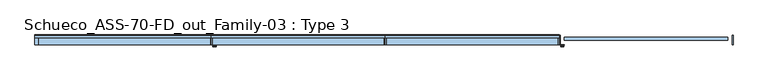
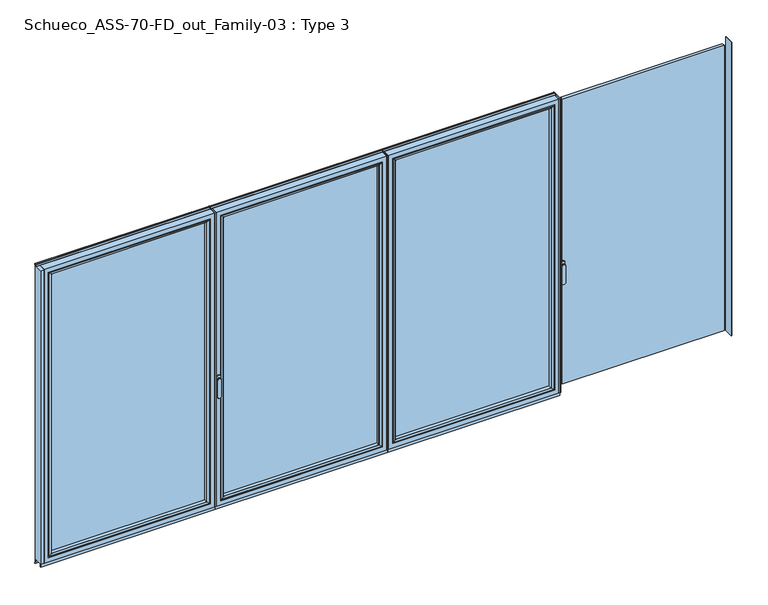
"""IFC4 building model written with IfcOpenShell, lengths in millimetres: window geometry, Schueco_ASS-70-FD_out_Family-03 : Type 3."""

from ifc_helpers import new_model, si_unit, point, frame, frame_2d, origin, place, context, project, spatial, polyline, circle_curve, ellipse_curve, trimmed, segment, composite_curve, outline, extrude, source, transform, mapped, element, save
from ifc_brep_helpers import plane_surface, cylinder_surface, extruded_surface, advanced_brep


def schueco_ass_70_fd_out_family_03_type_3_02548627(model_context):
    return source(origin(), model_context, "Body", "SolidModel", [
        extrude(outline(polyline([(1264.725, 0.0), (1264.725, -70.0), (1258.725, -70.0), (1258.725, 0.0), (1264.725, 0.0)])), frame((0.0, 0.0, 75.0), z_axis=(0.0, 0.0, 1.0), x_axis=(1.0, 0.0, 0.0)), (0.0, 0.0, 1.0), 2262.0),
        extrude(outline(polyline([(10.65, 0.0), (16.65, 0.0), (16.65, -70.0), (10.65, -70.0), (10.65, 0.0)])), frame((0.0, 0.0, 75.0), z_axis=(0.0, 0.0, 1.0), x_axis=(1.0, 0.0, 0.0)), (0.0, 0.0, 1.0), 2262.0),
        extrude(outline(polyline([(1226.725, -13.999939), (1226.725, -37.9928974), (48.65, -37.9928974), (48.65, -13.999939), (1226.725, -13.999939)])), frame((0.0, 0.0, 107.0), z_axis=(0.0, 0.0, 1.0), x_axis=(1.0, 0.0, 0.0)), (0.0, 0.0, 1.0), 2198.0),
        advanced_brep(
        [(70.6495728, -64.5552044, 2283.0004272), (70.6495728, -64.5552044, 128.9995728), (70.6495728, -37.9928974, 128.9995728), (70.6495728, -37.9928974, 2283.0004272), (48.65, -37.9928974, 2305.0), (1226.725, -37.9928974, 2305.0), (1226.725, -37.9928974, 107.0), (48.65, -37.9928974, 107.0), (1204.7254272, -37.9928974, 2283.0004272), (1204.7254272, -37.9928974, 128.9995728), (1204.7254272, -64.5552044, 128.9995728), (69.9400293, -65.8045072, 2283.7099707), (69.9400293, -65.8045072, 128.2900293), (1205.4349707, -65.8045072, 128.2900293), (54.649939, -70.0, 2299.000061), (54.649939, -70.0, 112.999939), (1220.725061, -70.0, 112.999939), (1226.725, -70.0, 2305.0), (48.65, -70.0, 2305.0), (48.65, -70.0, 107.0), (1226.725, -70.0, 107.0), (1220.725061, -70.0, 2299.000061), (1204.7254272, -64.5552044, 2283.0004272), (1205.4349707, -65.8045072, 2283.7099707)],
        [
            (0, 1),
            (1, 2),
            (2, 3),
            (3, 0),
            (4, 5),
            (5, 6),
            (6, 7),
            (7, 4),
            (8, 3),
            (2, 9),
            (9, 8),
            (1, 10),
            (10, 9),
            (11, 12),
            (12, 1, ellipse_curve(frame((69.1949688, -64.5552044, 127.5449688), z_axis=(-0.7071067811865475, 0.0, 0.7071067811865475), x_axis=(0.7071067811865474, 0.0, 0.7071067811865476)), 2.0571207, 1.454604)),
            (0, 11, ellipse_curve(frame((69.1949688, -64.5552044, 2284.4550312), z_axis=(-0.7071067811865475, 0.0, -0.7071067811865475), x_axis=(-0.7071067811865474, 0.0, 0.7071067811865476)), 2.0571207, 1.454604)),
            (12, 13),
            (13, 10, ellipse_curve(frame((1206.1800312, -64.5552044, 127.5449688), z_axis=(-0.7071067811865475, 0.0, -0.7071067811865475), x_axis=(-0.7071067811865476, 0.0, 0.7071067811865474)), 2.0571207, 1.454604)),
            (14, 15),
            (15, 12, ellipse_curve(frame((54.7138746, -40.2735922, 113.0638746), z_axis=(-0.7071067811865475, 0.0, 0.7071067811865475), x_axis=(0.7071067811865474, 0.0, 0.7071067811865476)), 42.0395863, 29.7264765)),
            (11, 14, ellipse_curve(frame((54.7138746, -40.2735922, 2298.9361254), z_axis=(-0.7071067811865475, 0.0, -0.7071067811865475), x_axis=(-0.7071067811865474, 0.0, 0.7071067811865476)), 42.0395863, 29.7264765)),
            (15, 16),
            (16, 13, ellipse_curve(frame((1220.6611254, -40.2735922, 113.0638746), z_axis=(-0.7071067811865475, 0.0, -0.7071067811865475), x_axis=(-0.7071067811865476, 0.0, 0.7071067811865474)), 42.0395863, 29.7264765)),
            (17, 18),
            (18, 19),
            (19, 20),
            (20, 17),
            (14, 21),
            (21, 16),
            (7, 19),
            (18, 4),
            (6, 20),
            (10, 22),
            (22, 8),
            (13, 23),
            (23, 22, ellipse_curve(frame((1206.1800312, -64.5552044, 2284.4550312), z_axis=(0.7071067811865475, 0.0, -0.7071067811865475), x_axis=(-0.7071067811865474, 0.0, -0.7071067811865476)), 2.0571207, 1.454604)),
            (21, 23, ellipse_curve(frame((1220.6611254, -40.2735922, 2298.9361254), z_axis=(0.7071067811865475, 0.0, -0.7071067811865475), x_axis=(-0.7071067811865474, 0.0, -0.7071067811865476)), 42.0395863, 29.7264765)),
            (5, 17),
            (22, 0),
            (23, 11),
        ],
        [
            plane_surface(frame((70.6495728, -37.9928974, 2283.0004272), z_axis=(1.0, 0.0, 0.0), x_axis=(0.0, 0.0, -1.0))),
            plane_surface(frame((1226.725, -37.9928974, 107.0), z_axis=(0.0, 1.0, 0.0), x_axis=(0.0, 0.0, 1.0))),
            plane_surface(frame((70.6495728, -37.9928974, 128.9995728), z_axis=(0.0, 0.0, 1.0), x_axis=(1.0, 0.0, 0.0))),
            cylinder_surface(frame((69.1949688, -64.5552044, 2283.0004272), z_axis=(0.0, 0.0, 1.0), x_axis=(-1.0, 0.0, 0.0)), 1.454604),
            cylinder_surface(frame((70.6495728, -64.5552044, 127.5449688), z_axis=(-1.0, 0.0, 0.0), x_axis=(0.0, 0.0, -1.0)), 1.454604),
            cylinder_surface(frame((54.7138746, -40.2735922, 2283.0004272), z_axis=(0.0, 0.0, 1.0), x_axis=(-1.0, 0.0, 0.0)), 29.7264765),
            cylinder_surface(frame((70.6495728, -40.2735922, 113.0638746), z_axis=(-1.0, 0.0, 0.0), x_axis=(0.0, 0.0, -1.0)), 29.7264765),
            plane_surface(frame((1220.725061, -70.0, 112.999939), z_axis=(0.0, -1.0, 0.0), x_axis=(0.0, 0.0, 1.0))),
            plane_surface(frame((48.65, -70.0, 2305.0), z_axis=(-1.0, 0.0, 0.0), x_axis=(0.0, 0.0, -1.0))),
            plane_surface(frame((48.65, -70.0, 107.0), z_axis=(0.0, 0.0, -1.0), x_axis=(1.0, 0.0, 0.0))),
            plane_surface(frame((1204.7254272, -37.9928974, 128.9995728), z_axis=(-1.0, 0.0, 0.0), x_axis=(0.0, 0.0, 1.0))),
            cylinder_surface(frame((1206.1800312, -64.5552044, 128.9995728), z_axis=(0.0, 0.0, -1.0), x_axis=(1.0, 0.0, 0.0)), 1.454604),
            cylinder_surface(frame((1220.6611254, -40.2735922, 128.9995728), z_axis=(0.0, 0.0, -1.0), x_axis=(1.0, 0.0, 0.0)), 29.7264765),
            plane_surface(frame((1226.725, -70.0, 107.0), z_axis=(1.0, 0.0, 0.0), x_axis=(0.0, 0.0, 1.0))),
            plane_surface(frame((1204.7254272, -37.9928974, 2283.0004272), z_axis=(0.0, 0.0, -1.0), x_axis=(-1.0, 0.0, 0.0))),
            cylinder_surface(frame((1204.7254272, -64.5552044, 2284.4550312), z_axis=(1.0, 0.0, 0.0), x_axis=(0.0, 0.0, 1.0)), 1.454604),
            cylinder_surface(frame((1204.7254272, -40.2735922, 2298.9361254), z_axis=(1.0, 0.0, 0.0), x_axis=(0.0, 0.0, 1.0)), 29.7264765),
            plane_surface(frame((1226.725, -70.0, 2305.0), z_axis=(0.0, 0.0, 1.0), x_axis=(-1.0, 0.0, 0.0))),
        ],
        [
            (0, [[1, 2, 3, 4]]),
            (1, [[5, 6, 7, 8], [9, -3, 10, 11]]),
            (2, [[12, 13, -10, -2]]),
            (3, [[14, 15, -1, 16]]),
            (4, [[17, 18, -12, -15]]),
            (5, [[19, 20, -14, 21]]),
            (6, [[22, 23, -17, -20]]),
            (7, [[24, 25, 26, 27], [28, 29, -22, -19]]),
            (8, [[-8, 30, -25, 31]]),
            (9, [[-7, 32, -26, -30]]),
            (10, [[33, 34, -11, -13]]),
            (11, [[35, 36, -33, -18]]),
            (12, [[-29, 37, -35, -23]]),
            (13, [[-6, 38, -27, -32]]),
            (14, [[39, -4, -9, -34]]),
            (15, [[40, -16, -39, -36]]),
            (16, [[-28, -21, -40, -37]]),
            (17, [[-5, -31, -24, -38]]),
        ],
    ),
        advanced_brep(
        [(1258.725, -70.0, 2337.0), (1258.725, -70.0, 75.0), (1258.725, 0.0, 75.0), (1258.725, 0.0, 2337.0), (16.65, -70.0, 75.0), (16.65, 0.0, 75.0), (16.65, 0.0, 2337.0), (66.1491901, 0.0, 124.4991901), (1209.2258099, 0.0, 124.4991901), (1209.2258099, 0.0, 2287.5008099), (66.1491901, 0.0, 2287.5008099), (16.65, -70.0, 2337.0), (1226.725, -70.0, 107.0), (48.65, -70.0, 107.0), (48.65, -70.0, 2305.0), (1226.725, -70.0, 2305.0), (1226.725, -13.999939, 2305.0), (1226.725, -13.999939, 107.0), (48.65, -13.999939, 107.0), (48.65, -13.999939, 2305.0), (1204.7254272, -13.999939, 128.9995728), (70.6495728, -13.999939, 128.9995728), (70.6495728, -13.999939, 2283.0004272), (1204.7254272, -13.999939, 2283.0004272), (1204.7254272, -4.5004435, 2283.0004272), (1204.7254272, -4.5004435, 128.9995728), (70.6495728, -4.5004435, 128.9995728), (70.6495728, -4.5004435, 2283.0004272)],
        [
            (0, 1),
            (1, 2),
            (2, 3),
            (3, 0),
            (1, 4),
            (4, 5),
            (5, 2),
            (5, 6),
            (6, 3),
            (7, 8),
            (8, 9),
            (9, 10),
            (10, 7),
            (4, 11),
            (11, 6),
            (0, 11),
            (12, 13),
            (13, 14),
            (14, 15),
            (15, 12),
            (16, 17),
            (17, 12),
            (15, 16),
            (17, 18),
            (18, 13),
            (18, 19),
            (19, 14),
            (16, 19),
            (20, 21),
            (21, 22),
            (22, 23),
            (23, 20),
            (24, 25),
            (25, 20),
            (23, 24),
            (25, 26),
            (26, 21),
            (26, 27),
            (27, 22),
            (7, 26, ellipse_curve(frame((66.1491901, -4.5004435, 124.4991901), z_axis=(0.7071067811865475, 0.0, -0.7071067811865475), x_axis=(0.7071067811865476, 0.0, 0.7071067811865474)), 6.3645023, 4.5003827)),
            (25, 8, ellipse_curve(frame((1209.2258099, -4.5004435, 124.4991901), z_axis=(-0.7071067811865475, 0.0, -0.7071067811865475), x_axis=(0.7071067811865476, 0.0, -0.7071067811865474)), 6.3645023, 4.5003827)),
            (24, 9, ellipse_curve(frame((1209.2258099, -4.5004435, 2287.5008099), z_axis=(0.7071067811865475, 0.0, -0.7071067811865475), x_axis=(0.7071067811865474, 0.0, 0.7071067811865476)), 6.3645023, 4.5003827)),
            (10, 27, ellipse_curve(frame((66.1491901, -4.5004435, 2287.5008099), z_axis=(-0.7071067811865475, 0.0, -0.7071067811865475), x_axis=(0.7071067811865474, 0.0, -0.7071067811865476)), 6.3645023, 4.5003827)),
            (27, 24),
        ],
        [
            plane_surface(frame((1258.725, 0.0, 2337.0), z_axis=(1.0, 0.0, 0.0), x_axis=(0.0, 0.0, -1.0))),
            plane_surface(frame((1258.725, 0.0, 75.0), z_axis=(0.0, 0.0, -1.0), x_axis=(-1.0, 0.0, 0.0))),
            plane_surface(frame((1209.2258099, 0.0, 2287.5008099), z_axis=(0.0, 1.0, 0.0), x_axis=(0.0, 0.0, -1.0))),
            plane_surface(frame((16.65, 0.0, 75.0), z_axis=(-1.0, 0.0, 0.0), x_axis=(0.0, 0.0, 1.0))),
            plane_surface(frame((1258.725, -70.0, 2337.0), z_axis=(0.0, -1.0, 0.0), x_axis=(0.0, 0.0, -1.0))),
            plane_surface(frame((1226.725, -70.0, 2305.0), z_axis=(-1.0, 0.0, 0.0), x_axis=(0.0, 0.0, -1.0))),
            plane_surface(frame((1226.725, -70.0, 107.0), z_axis=(0.0, 0.0, 1.0), x_axis=(-1.0, 0.0, 0.0))),
            plane_surface(frame((48.65, -70.0, 107.0), z_axis=(1.0, 0.0, 0.0), x_axis=(0.0, 0.0, 1.0))),
            plane_surface(frame((1226.725, -13.999939, 2305.0), z_axis=(0.0, -1.0, 0.0), x_axis=(0.0, 0.0, -1.0))),
            plane_surface(frame((1204.7254272, -13.999939, 2283.0004272), z_axis=(-1.0, 0.0, 0.0), x_axis=(0.0, 0.0, -1.0))),
            plane_surface(frame((1204.7254272, -13.999939, 128.9995728), z_axis=(0.0, 0.0, 1.0), x_axis=(-1.0, 0.0, 0.0))),
            plane_surface(frame((70.6495728, -13.999939, 128.9995728), z_axis=(1.0, 0.0, 0.0), x_axis=(0.0, 0.0, 1.0))),
            cylinder_surface(frame((1264.725, -4.5004435, 124.4991901), z_axis=(1.0, 0.0, 0.0), x_axis=(0.0, -1.0, 0.0)), 4.5003827),
            cylinder_surface(frame((1209.2258099, -4.5004435, 2343.0), z_axis=(0.0, 0.0, 1.0), x_axis=(0.0, -1.0, 0.0)), 4.5003827),
            cylinder_surface(frame((66.1491901, -4.5004435, 69.0), z_axis=(0.0, 0.0, -1.0), x_axis=(0.0, -1.0, 0.0)), 4.5003827),
            plane_surface(frame((16.65, 0.0, 2337.0), z_axis=(0.0, 0.0, 1.0), x_axis=(1.0, 0.0, 0.0))),
            plane_surface(frame((48.65, -70.0, 2305.0), z_axis=(0.0, 0.0, -1.0), x_axis=(1.0, 0.0, 0.0))),
            plane_surface(frame((70.6495728, -13.999939, 2283.0004272), z_axis=(0.0, 0.0, -1.0), x_axis=(1.0, 0.0, 0.0))),
            cylinder_surface(frame((10.65, -4.5004435, 2287.5008099), z_axis=(-1.0, 0.0, 0.0), x_axis=(0.0, -1.0, 0.0)), 4.5003827),
        ],
        [
            (0, [[1, 2, 3, 4]]),
            (1, [[5, 6, 7, -2]]),
            (2, [[-7, 8, 9, -3], [10, 11, 12, 13]]),
            (3, [[14, 15, -8, -6]]),
            (4, [[-5, -1, 16, -14], [17, 18, 19, 20]]),
            (5, [[21, 22, -20, 23]]),
            (6, [[24, 25, -17, -22]]),
            (7, [[26, 27, -18, -25]]),
            (8, [[-24, -21, 28, -26], [29, 30, 31, 32]]),
            (9, [[33, 34, -32, 35]]),
            (10, [[36, 37, -29, -34]]),
            (11, [[38, 39, -30, -37]]),
            (12, [[-10, 40, -36, 41]]),
            (13, [[-11, -41, -33, 42]]),
            (14, [[-13, 43, -38, -40]]),
            (15, [[-16, -4, -9, -15]]),
            (16, [[-28, -23, -19, -27]]),
            (17, [[44, -35, -31, -39]]),
            (18, [[-12, -42, -44, -43]]),
        ],
    ),
        extrude(outline(polyline([(1264.725, -70.0), (10.65, -70.0), (10.65, -62.3999924), (1264.725, -62.3999924), (1264.725, -70.0)])), frame((0.0, 0.0, 52.9995117), z_axis=(0.0, 0.0, 1.0), x_axis=(1.0, 0.0, 0.0)), (0.0, 0.0, 1.0), 22.0004883),
        extrude(outline(composite_curve([segment(polyline([(0.0, 45.0), (-7.7242502, 45.0), (-7.7242502, 75.0), (0.0, 75.0), (0.0, 52.4754501), (1.8566157, 46.0621453)]), True, "CONTINUOUS"), segment(trimmed(circle_curve(frame_2d((-0.0645022, 45.5059925)), 2.0), [point((1.8566157, 46.0621453))], [point((1.8670103, 44.9870904))], False, "CARTESIAN"), True, "CONTINUOUS"), segment(polyline([(1.8670103, 44.9870904), (0.8737, 41.2896854), (0.0, 41.2896854), (0.0, 45.0)]), True, "CONTINUOUS")], self_intersect=False)), frame((10.65, 0.0, 0.0), z_axis=(1.0, 0.0, 0.0), x_axis=(0.0, 1.0, 0.0)), (0.0, 0.0, 1.0), 1254.075),
        extrude(outline(composite_curve([segment(polyline([(-17.955674, 2339.1400778), (-1.3636404, 2339.1400778), (0.0, 2342.963961), (0.0, 2348.6420698), (0.8937897, 2348.6420698), (1.8738669, 2344.9939222)]), True, "CONTINUOUS"), segment(trimmed(circle_curve(frame_2d((-0.0576456, 2344.4750201)), 2.0), [point((1.8738669, 2344.9939222))], [point((1.8735116, 2343.9547971))], False, "CARTESIAN"), True, "CONTINUOUS"), segment(polyline([(1.8735116, 2343.9547971), (0.0, 2337.0), (-17.955674, 2337.0), (-17.955674, 2339.1400778)]), True, "CONTINUOUS")], self_intersect=False)), frame((10.65, 0.0, 0.0), z_axis=(1.0, 0.0, 0.0), x_axis=(0.0, 1.0, 0.0)), (0.0, 0.0, 1.0), 1254.075),
        advanced_brep(
        [(-1209.4363692, -73.5, 1050.0), (-1233.4136308, -73.5, 1050.0), (-1209.4363692, -76.8965533, 1050.0), (-1233.4136308, -76.8965533, 1050.0), (-1209.4363692, -84.5, 1050.0), (-1233.4136308, -84.5, 1050.0), (-1233.4136308, -84.5, 918.6867153), (-1209.4363692, -84.5, 918.6867153), (-1209.4363692, -76.8965533, 918.6867153), (-1233.4136308, -76.8965533, 918.6867153)],
        [
            (0, 1, circle_curve(frame((-1221.425, -73.5, 1050.0), z_axis=(0.0, 1.0, 0.0), x_axis=(-1.0, 0.0, 0.0)), 11.9886308)),
            (1, 0, circle_curve(frame((-1221.425, -73.5, 1050.0), z_axis=(0.0, 1.0, 0.0), x_axis=(-1.0, 0.0, 0.0)), 11.9886308)),
            (0, 2),
            (2, 3, circle_curve(frame((-1221.425, -76.8965533, 1050.0), z_axis=(0.0, 1.0, 0.0), x_axis=(-1.0, 0.0, 0.0)), 11.9886308)),
            (3, 1),
            (3, 2, circle_curve(frame((-1221.425, -76.8965533, 1050.0), z_axis=(0.0, 1.0, 0.0), x_axis=(-1.0, 0.0, 0.0)), 11.9886308)),
            (4, 5, circle_curve(frame((-1221.425, -84.5, 1050.0), z_axis=(0.0, -1.0, 0.0), x_axis=(-1.0, 0.0, 0.0)), 11.9886308)),
            (5, 6),
            (6, 7, ellipse_curve(frame((-1221.425, -84.5, 918.6867153), z_axis=(0.0, -1.0, 0.0), x_axis=(1.0, 0.0, 0.0)), 11.9886308, 7.9050795)),
            (7, 4),
            (2, 8),
            (8, 9, ellipse_curve(frame((-1221.425, -76.8965533, 918.6867153), z_axis=(0.0, 1.0, 0.0), x_axis=(1.0, 0.0, 0.0)), 11.9886308, 7.9050795)),
            (9, 3),
            (7, 8),
            (2, 4),
            (6, 9),
            (5, 3),
        ],
        [
            plane_surface(frame((-1233.4136308, -73.5, 1050.0), z_axis=(0.0, 1.0, 0.0), x_axis=(0.0, 0.0, -1.0))),
            cylinder_surface(frame((-1221.425, -73.5, 1050.0), z_axis=(0.0, -1.0, 0.0), x_axis=(-1.0, 0.0, 0.0)), 11.9886308),
            plane_surface(frame((-1209.4363692, -84.5, 928.3382074), z_axis=(0.0, -1.0, 0.0), x_axis=(0.0, 0.0, -1.0))),
            plane_surface(frame((-1209.4363692, -76.8965533, 928.3382074), z_axis=(0.0, 1.0, 0.0), x_axis=(0.0, 0.0, 1.0))),
            plane_surface(frame((-1209.4363692, -84.5, 1050.0), z_axis=(1.0, 0.0, 0.0), x_axis=(0.0, 1.0, 0.0))),
            extruded_surface(trimmed(ellipse_curve(frame((-1221.425, -76.8965533, 918.6867153), z_axis=(0.0, 1.0, 0.0), x_axis=(1.0, 0.0, 0.0)), 11.9886308, 7.9050795), [point((-1209.4363692, -76.8965533, 918.6867153))], [point((-1233.4136308, -76.8965533, 918.6867153))], True, "CARTESIAN"), (0.0, 7.603446699999992, 0.0), 7.603446699999992),
            plane_surface(frame((-1233.4136308, -84.5, 918.6867153), z_axis=(-1.0, 0.0, 0.0), x_axis=(0.0, 1.0, 0.0))),
            cylinder_surface(frame((-1221.425, -76.8965533, 1050.0), z_axis=(0.0, -1.0, 0.0), x_axis=(-1.0, 0.0, 0.0)), 11.9886308),
        ],
        [
            (0, [[1, 2]]),
            (1, [[3, 4, 5, -1]]),
            (1, [[-5, 6, -3, -2]]),
            (2, [[7, 8, 9, 10]]),
            (3, [[-4, 11, 12, 13]]),
            (4, [[14, -11, 15, -10]]),
            (5, [[16, -12, -14, -9]]),
            (6, [[17, -13, -16, -8]]),
            (7, [[-15, -6, -17, -7]]),
        ],
    ),
        extrude(outline(composite_curve([segment(trimmed(circle_curve(frame_2d((1068.75, -1221.425)), 14.0), [point((1068.75, -1207.425))], [point((1068.75, -1235.425))], False, "CARTESIAN"), True, "CONTINUOUS"), segment(polyline([(1068.75, -1235.425), (1031.25, -1235.425)]), True, "CONTINUOUS"), segment(trimmed(circle_curve(frame_2d((1031.25, -1221.425)), 14.0), [point((1031.25, -1235.425))], [point((1031.25, -1207.425))], False, "CARTESIAN"), True, "CONTINUOUS"), segment(polyline([(1031.25, -1207.425), (1068.75, -1207.425)]), True, "CONTINUOUS")], self_intersect=False)), frame((0.0, -73.5, 0.0), z_axis=(0.0, 1.0, 0.0), x_axis=(0.0, 0.0, 1.0)), (0.0, 0.0, 1.0), 3.5),
        extrude(outline(polyline([(10.65, 0.0), (10.65, -70.0), (4.65, -70.0), (4.65, 0.0), (10.65, 0.0)])), frame((0.0, 0.0, 75.0), z_axis=(0.0, 0.0, 1.0), x_axis=(1.0, 0.0, 0.0)), (0.0, 0.0, 1.0), 2262.0),
        extrude(outline(polyline([(-1243.425, 0.0), (-1237.425, 0.0), (-1237.425, -70.0), (-1243.425, -70.0), (-1243.425, 0.0)])), frame((0.0, 0.0, 75.0), z_axis=(0.0, 0.0, 1.0), x_axis=(1.0, 0.0, 0.0)), (0.0, 0.0, 1.0), 2262.0),
        extrude(outline(polyline([(-27.35, -13.999939), (-27.35, -37.9928974), (-1205.425, -37.9928974), (-1205.425, -13.999939), (-27.35, -13.999939)])), frame((0.0, 0.0, 107.0), z_axis=(0.0, 0.0, 1.0), x_axis=(1.0, 0.0, 0.0)), (0.0, 0.0, 1.0), 2198.0),
        advanced_brep(
        [(-1183.4254272, -64.5552044, 2283.0004272), (-1183.4254272, -64.5552044, 128.9995728), (-1183.4254272, -37.9928974, 128.9995728), (-1183.4254272, -37.9928974, 2283.0004272), (-1205.425, -37.9928974, 2305.0), (-27.35, -37.9928974, 2305.0), (-27.35, -37.9928974, 107.0), (-1205.425, -37.9928974, 107.0), (-49.3495728, -37.9928974, 2283.0004272), (-49.3495728, -37.9928974, 128.9995728), (-49.3495728, -64.5552044, 128.9995728), (-1184.1349707, -65.8045072, 2283.7099707), (-1184.1349707, -65.8045072, 128.2900293), (-48.6400293, -65.8045072, 128.2900293), (-1199.425061, -70.0, 2299.000061), (-1199.425061, -70.0, 112.999939), (-33.349939, -70.0, 112.999939), (-27.35, -70.0, 2305.0), (-1205.425, -70.0, 2305.0), (-1205.425, -70.0, 107.0), (-27.35, -70.0, 107.0), (-33.349939, -70.0, 2299.000061), (-49.3495728, -64.5552044, 2283.0004272), (-48.6400293, -65.8045072, 2283.7099707)],
        [
            (0, 1),
            (1, 2),
            (2, 3),
            (3, 0),
            (4, 5),
            (5, 6),
            (6, 7),
            (7, 4),
            (8, 3),
            (2, 9),
            (9, 8),
            (1, 10),
            (10, 9),
            (11, 12),
            (12, 1, ellipse_curve(frame((-1184.8800312, -64.5552044, 127.5449688), z_axis=(-0.7071067811865475, 0.0, 0.7071067811865475), x_axis=(0.7071067811865474, 0.0, 0.7071067811865476)), 2.0571207, 1.454604)),
            (0, 11, ellipse_curve(frame((-1184.8800312, -64.5552044, 2284.4550312), z_axis=(-0.7071067811865475, 0.0, -0.7071067811865475), x_axis=(-0.7071067811865474, 0.0, 0.7071067811865476)), 2.0571207, 1.454604)),
            (12, 13),
            (13, 10, ellipse_curve(frame((-47.8949688, -64.5552044, 127.5449688), z_axis=(-0.7071067811865475, 0.0, -0.7071067811865475), x_axis=(-0.7071067811865476, 0.0, 0.7071067811865474)), 2.0571207, 1.454604)),
            (14, 15),
            (15, 12, ellipse_curve(frame((-1199.3611254, -40.2735922, 113.0638746), z_axis=(-0.7071067811865475, 0.0, 0.7071067811865475), x_axis=(0.7071067811865474, 0.0, 0.7071067811865476)), 42.0395863, 29.7264765)),
            (11, 14, ellipse_curve(frame((-1199.3611254, -40.2735922, 2298.9361254), z_axis=(-0.7071067811865475, 0.0, -0.7071067811865475), x_axis=(-0.7071067811865474, 0.0, 0.7071067811865476)), 42.0395863, 29.7264765)),
            (15, 16),
            (16, 13, ellipse_curve(frame((-33.4138746, -40.2735922, 113.0638746), z_axis=(-0.7071067811865475, 0.0, -0.7071067811865475), x_axis=(-0.7071067811865476, 0.0, 0.7071067811865474)), 42.0395863, 29.7264765)),
            (17, 18),
            (18, 19),
            (19, 20),
            (20, 17),
            (14, 21),
            (21, 16),
            (7, 19),
            (18, 4),
            (6, 20),
            (10, 22),
            (22, 8),
            (13, 23),
            (23, 22, ellipse_curve(frame((-47.8949688, -64.5552044, 2284.4550312), z_axis=(0.7071067811865475, 0.0, -0.7071067811865475), x_axis=(-0.7071067811865474, 0.0, -0.7071067811865476)), 2.0571207, 1.454604)),
            (21, 23, ellipse_curve(frame((-33.4138746, -40.2735922, 2298.9361254), z_axis=(0.7071067811865475, 0.0, -0.7071067811865475), x_axis=(-0.7071067811865474, 0.0, -0.7071067811865476)), 42.0395863, 29.7264765)),
            (5, 17),
            (22, 0),
            (23, 11),
        ],
        [
            plane_surface(frame((-1183.4254272, -37.9928974, 2283.0004272), z_axis=(1.0, 0.0, 0.0), x_axis=(0.0, 0.0, -1.0))),
            plane_surface(frame((-27.35, -37.9928974, 107.0), z_axis=(0.0, 1.0, 0.0), x_axis=(0.0, 0.0, 1.0))),
            plane_surface(frame((-1183.4254272, -37.9928974, 128.9995728), z_axis=(0.0, 0.0, 1.0), x_axis=(1.0, 0.0, 0.0))),
            cylinder_surface(frame((-1184.8800312, -64.5552044, 2283.0004272), z_axis=(0.0, 0.0, 1.0), x_axis=(-1.0, 0.0, 0.0)), 1.454604),
            cylinder_surface(frame((-1183.4254272, -64.5552044, 127.5449688), z_axis=(-1.0, 0.0, 0.0), x_axis=(0.0, 0.0, -1.0)), 1.454604),
            cylinder_surface(frame((-1199.3611254, -40.2735922, 2283.0004272), z_axis=(0.0, 0.0, 1.0), x_axis=(-1.0, 0.0, 0.0)), 29.7264765),
            cylinder_surface(frame((-1183.4254272, -40.2735922, 113.0638746), z_axis=(-1.0, 0.0, 0.0), x_axis=(0.0, 0.0, -1.0)), 29.7264765),
            plane_surface(frame((-33.349939, -70.0, 112.999939), z_axis=(0.0, -1.0, 0.0), x_axis=(0.0, 0.0, 1.0))),
            plane_surface(frame((-1205.425, -70.0, 2305.0), z_axis=(-1.0, 0.0, 0.0), x_axis=(0.0, 0.0, -1.0))),
            plane_surface(frame((-1205.425, -70.0, 107.0), z_axis=(0.0, 0.0, -1.0), x_axis=(1.0, 0.0, 0.0))),
            plane_surface(frame((-49.3495728, -37.9928974, 128.9995728), z_axis=(-1.0, 0.0, 0.0), x_axis=(0.0, 0.0, 1.0))),
            cylinder_surface(frame((-47.8949688, -64.5552044, 128.9995728), z_axis=(0.0, 0.0, -1.0), x_axis=(1.0, 0.0, 0.0)), 1.454604),
            cylinder_surface(frame((-33.4138746, -40.2735922, 128.9995728), z_axis=(0.0, 0.0, -1.0), x_axis=(1.0, 0.0, 0.0)), 29.7264765),
            plane_surface(frame((-27.35, -70.0, 107.0), z_axis=(1.0, 0.0, 0.0), x_axis=(0.0, 0.0, 1.0))),
            plane_surface(frame((-49.3495728, -37.9928974, 2283.0004272), z_axis=(0.0, 0.0, -1.0), x_axis=(-1.0, 0.0, 0.0))),
            cylinder_surface(frame((-49.3495728, -64.5552044, 2284.4550312), z_axis=(1.0, 0.0, 0.0), x_axis=(0.0, 0.0, 1.0)), 1.454604),
            cylinder_surface(frame((-49.3495728, -40.2735922, 2298.9361254), z_axis=(1.0, 0.0, 0.0), x_axis=(0.0, 0.0, 1.0)), 29.7264765),
            plane_surface(frame((-27.35, -70.0, 2305.0), z_axis=(0.0, 0.0, 1.0), x_axis=(-1.0, 0.0, 0.0))),
        ],
        [
            (0, [[1, 2, 3, 4]]),
            (1, [[5, 6, 7, 8], [9, -3, 10, 11]]),
            (2, [[12, 13, -10, -2]]),
            (3, [[14, 15, -1, 16]]),
            (4, [[17, 18, -12, -15]]),
            (5, [[19, 20, -14, 21]]),
            (6, [[22, 23, -17, -20]]),
            (7, [[24, 25, 26, 27], [28, 29, -22, -19]]),
            (8, [[-8, 30, -25, 31]]),
            (9, [[-7, 32, -26, -30]]),
            (10, [[33, 34, -11, -13]]),
            (11, [[35, 36, -33, -18]]),
            (12, [[-29, 37, -35, -23]]),
            (13, [[-6, 38, -27, -32]]),
            (14, [[39, -4, -9, -34]]),
            (15, [[40, -16, -39, -36]]),
            (16, [[-28, -21, -40, -37]]),
            (17, [[-5, -31, -24, -38]]),
        ],
    ),
        advanced_brep(
        [(4.65, -70.0, 2337.0), (4.65, -70.0, 75.0), (4.65, 0.0, 75.0), (4.65, 0.0, 2337.0), (-1237.425, -70.0, 75.0), (-1237.425, 0.0, 75.0), (-1237.425, 0.0, 2337.0), (-1187.9258099, 0.0, 124.4991901), (-44.8491901, 0.0, 124.4991901), (-44.8491901, 0.0, 2287.5008099), (-1187.9258099, 0.0, 2287.5008099), (-1237.425, -70.0, 2337.0), (-27.35, -70.0, 107.0), (-1205.425, -70.0, 107.0), (-1205.425, -70.0, 2305.0), (-27.35, -70.0, 2305.0), (-27.35, -13.999939, 2305.0), (-27.35, -13.999939, 107.0), (-1205.425, -13.999939, 107.0), (-1205.425, -13.999939, 2305.0), (-49.3495728, -13.999939, 128.9995728), (-1183.4254272, -13.999939, 128.9995728), (-1183.4254272, -13.999939, 2283.0004272), (-49.3495728, -13.999939, 2283.0004272), (-49.3495728, -4.5004435, 2283.0004272), (-49.3495728, -4.5004435, 128.9995728), (-1183.4254272, -4.5004435, 128.9995728), (-1183.4254272, -4.5004435, 2283.0004272)],
        [
            (0, 1),
            (1, 2),
            (2, 3),
            (3, 0),
            (1, 4),
            (4, 5),
            (5, 2),
            (5, 6),
            (6, 3),
            (7, 8),
            (8, 9),
            (9, 10),
            (10, 7),
            (4, 11),
            (11, 6),
            (0, 11),
            (12, 13),
            (13, 14),
            (14, 15),
            (15, 12),
            (16, 17),
            (17, 12),
            (15, 16),
            (17, 18),
            (18, 13),
            (18, 19),
            (19, 14),
            (16, 19),
            (20, 21),
            (21, 22),
            (22, 23),
            (23, 20),
            (24, 25),
            (25, 20),
            (23, 24),
            (25, 26),
            (26, 21),
            (26, 27),
            (27, 22),
            (7, 26, ellipse_curve(frame((-1187.9258099, -4.5004435, 124.4991901), z_axis=(0.7071067811865475, 0.0, -0.7071067811865475), x_axis=(0.7071067811865476, 0.0, 0.7071067811865474)), 6.3645023, 4.5003827)),
            (25, 8, ellipse_curve(frame((-44.8491901, -4.5004435, 124.4991901), z_axis=(-0.7071067811865475, 0.0, -0.7071067811865475), x_axis=(0.7071067811865476, 0.0, -0.7071067811865474)), 6.3645023, 4.5003827)),
            (24, 9, ellipse_curve(frame((-44.8491901, -4.5004435, 2287.5008099), z_axis=(0.7071067811865475, 0.0, -0.7071067811865475), x_axis=(0.7071067811865474, 0.0, 0.7071067811865476)), 6.3645023, 4.5003827)),
            (10, 27, ellipse_curve(frame((-1187.9258099, -4.5004435, 2287.5008099), z_axis=(-0.7071067811865475, 0.0, -0.7071067811865475), x_axis=(0.7071067811865474, 0.0, -0.7071067811865476)), 6.3645023, 4.5003827)),
            (27, 24),
        ],
        [
            plane_surface(frame((4.65, 0.0, 2337.0), z_axis=(1.0, 0.0, 0.0), x_axis=(0.0, 0.0, -1.0))),
            plane_surface(frame((4.65, 0.0, 75.0), z_axis=(0.0, 0.0, -1.0), x_axis=(-1.0, 0.0, 0.0))),
            plane_surface(frame((-44.8491901, 0.0, 2287.5008099), z_axis=(0.0, 1.0, 0.0), x_axis=(0.0, 0.0, -1.0))),
            plane_surface(frame((-1237.425, 0.0, 75.0), z_axis=(-1.0, 0.0, 0.0), x_axis=(0.0, 0.0, 1.0))),
            plane_surface(frame((4.65, -70.0, 2337.0), z_axis=(0.0, -1.0, 0.0), x_axis=(0.0, 0.0, -1.0))),
            plane_surface(frame((-27.35, -70.0, 2305.0), z_axis=(-1.0, 0.0, 0.0), x_axis=(0.0, 0.0, -1.0))),
            plane_surface(frame((-27.35, -70.0, 107.0), z_axis=(0.0, 0.0, 1.0), x_axis=(-1.0, 0.0, 0.0))),
            plane_surface(frame((-1205.425, -70.0, 107.0), z_axis=(1.0, 0.0, 0.0), x_axis=(0.0, 0.0, 1.0))),
            plane_surface(frame((-27.35, -13.999939, 2305.0), z_axis=(0.0, -1.0, 0.0), x_axis=(0.0, 0.0, -1.0))),
            plane_surface(frame((-49.3495728, -13.999939, 2283.0004272), z_axis=(-1.0, 0.0, 0.0), x_axis=(0.0, 0.0, -1.0))),
            plane_surface(frame((-49.3495728, -13.999939, 128.9995728), z_axis=(0.0, 0.0, 1.0), x_axis=(-1.0, 0.0, 0.0))),
            plane_surface(frame((-1183.4254272, -13.999939, 128.9995728), z_axis=(1.0, 0.0, 0.0), x_axis=(0.0, 0.0, 1.0))),
            cylinder_surface(frame((10.65, -4.5004435, 124.4991901), z_axis=(1.0, 0.0, 0.0), x_axis=(0.0, -1.0, 0.0)), 4.5003827),
            cylinder_surface(frame((-44.8491901, -4.5004435, 2343.0), z_axis=(0.0, 0.0, 1.0), x_axis=(0.0, -1.0, 0.0)), 4.5003827),
            cylinder_surface(frame((-1187.9258099, -4.5004435, 69.0), z_axis=(0.0, 0.0, -1.0), x_axis=(0.0, -1.0, 0.0)), 4.5003827),
            plane_surface(frame((-1237.425, 0.0, 2337.0), z_axis=(0.0, 0.0, 1.0), x_axis=(1.0, 0.0, 0.0))),
            plane_surface(frame((-1205.425, -70.0, 2305.0), z_axis=(0.0, 0.0, -1.0), x_axis=(1.0, 0.0, 0.0))),
            plane_surface(frame((-1183.4254272, -13.999939, 2283.0004272), z_axis=(0.0, 0.0, -1.0), x_axis=(1.0, 0.0, 0.0))),
            cylinder_surface(frame((-1243.425, -4.5004435, 2287.5008099), z_axis=(-1.0, 0.0, 0.0), x_axis=(0.0, -1.0, 0.0)), 4.5003827),
        ],
        [
            (0, [[1, 2, 3, 4]]),
            (1, [[5, 6, 7, -2]]),
            (2, [[-7, 8, 9, -3], [10, 11, 12, 13]]),
            (3, [[14, 15, -8, -6]]),
            (4, [[-5, -1, 16, -14], [17, 18, 19, 20]]),
            (5, [[21, 22, -20, 23]]),
            (6, [[24, 25, -17, -22]]),
            (7, [[26, 27, -18, -25]]),
            (8, [[-24, -21, 28, -26], [29, 30, 31, 32]]),
            (9, [[33, 34, -32, 35]]),
            (10, [[36, 37, -29, -34]]),
            (11, [[38, 39, -30, -37]]),
            (12, [[-10, 40, -36, 41]]),
            (13, [[-11, -41, -33, 42]]),
            (14, [[-13, 43, -38, -40]]),
            (15, [[-16, -4, -9, -15]]),
            (16, [[-28, -23, -19, -27]]),
            (17, [[44, -35, -31, -39]]),
            (18, [[-12, -42, -44, -43]]),
        ],
    ),
        extrude(outline(polyline([(10.65, -70.0), (-1243.425, -70.0), (-1243.425, -62.3999924), (10.65, -62.3999924), (10.65, -70.0)])), frame((0.0, 0.0, 52.9995117), z_axis=(0.0, 0.0, 1.0), x_axis=(1.0, 0.0, 0.0)), (0.0, 0.0, 1.0), 22.0004883),
        extrude(outline(composite_curve([segment(polyline([(0.0, 45.0), (-7.7242502, 45.0), (-7.7242502, 75.0), (0.0, 75.0), (0.0, 52.4754501), (1.8566157, 46.0621453)]), True, "CONTINUOUS"), segment(trimmed(circle_curve(frame_2d((-0.0645022, 45.5059925)), 2.0), [point((1.8566157, 46.0621453))], [point((1.8670103, 44.9870904))], False, "CARTESIAN"), True, "CONTINUOUS"), segment(polyline([(1.8670103, 44.9870904), (0.8737, 41.2896854), (0.0, 41.2896854), (0.0, 45.0)]), True, "CONTINUOUS")], self_intersect=False)), frame((-1243.425, 0.0, 0.0), z_axis=(1.0, 0.0, 0.0), x_axis=(0.0, 1.0, 0.0)), (0.0, 0.0, 1.0), 1254.075),
        extrude(outline(composite_curve([segment(polyline([(-17.955674, 2339.1400778), (-1.3636404, 2339.1400778), (0.0, 2342.963961), (0.0, 2348.6420698), (0.8937897, 2348.6420698), (1.8738669, 2344.9939222)]), True, "CONTINUOUS"), segment(trimmed(circle_curve(frame_2d((-0.0576456, 2344.4750201)), 2.0), [point((1.8738669, 2344.9939222))], [point((1.8735116, 2343.9547971))], False, "CARTESIAN"), True, "CONTINUOUS"), segment(polyline([(1.8735116, 2343.9547971), (0.0, 2337.0), (-17.955674, 2337.0), (-17.955674, 2339.1400778)]), True, "CONTINUOUS")], self_intersect=False)), frame((-1243.425, 0.0, 0.0), z_axis=(1.0, 0.0, 0.0), x_axis=(0.0, 1.0, 0.0)), (0.0, 0.0, 1.0), 1254.075),
        extrude(outline(polyline([(-1243.425, 0.0), (-1243.425, -70.0), (-1249.425, -70.0), (-1249.425, 0.0), (-1243.425, 0.0)])), frame((0.0, 0.0, 75.0), z_axis=(0.0, 0.0, 1.0), x_axis=(1.0, 0.0, 0.0)), (0.0, 0.0, 1.0), 2262.0),
        extrude(outline(polyline([(-2516.5, 0.0), (-2491.5, 0.0), (-2491.5, -70.0), (-2516.5, -70.0), (-2516.5, 0.0)])), frame((0.0, 0.0, 75.0), z_axis=(0.0, 0.0, 1.0), x_axis=(1.0, 0.0, 0.0)), (0.0, 0.0, 1.0), 2262.0),
        extrude(outline(polyline([(-1281.425, -13.999939), (-1281.425, -37.9928974), (-2459.5, -37.9928974), (-2459.5, -13.999939), (-1281.425, -13.999939)])), frame((0.0, 0.0, 107.0), z_axis=(0.0, 0.0, 1.0), x_axis=(1.0, 0.0, 0.0)), (0.0, 0.0, 1.0), 2198.0),
        advanced_brep(
        [(-2437.5004272, -64.5552044, 2283.0004272), (-2437.5004272, -64.5552044, 128.9995728), (-2437.5004272, -37.9928974, 128.9995728), (-2437.5004272, -37.9928974, 2283.0004272), (-2459.5, -37.9928974, 2305.0), (-1281.425, -37.9928974, 2305.0), (-1281.425, -37.9928974, 107.0), (-2459.5, -37.9928974, 107.0), (-1303.4245728, -37.9928974, 2283.0004272), (-1303.4245728, -37.9928974, 128.9995728), (-1303.4245728, -64.5552044, 128.9995728), (-2438.2099707, -65.8045072, 2283.7099707), (-2438.2099707, -65.8045072, 128.2900293), (-1302.7150293, -65.8045072, 128.2900293), (-2453.500061, -70.0, 2299.000061), (-2453.500061, -70.0, 112.999939), (-1287.424939, -70.0, 112.999939), (-1281.425, -70.0, 2305.0), (-2459.5, -70.0, 2305.0), (-2459.5, -70.0, 107.0), (-1281.425, -70.0, 107.0), (-1287.424939, -70.0, 2299.000061), (-1303.4245728, -64.5552044, 2283.0004272), (-1302.7150293, -65.8045072, 2283.7099707)],
        [
            (0, 1),
            (1, 2),
            (2, 3),
            (3, 0),
            (4, 5),
            (5, 6),
            (6, 7),
            (7, 4),
            (8, 3),
            (2, 9),
            (9, 8),
            (1, 10),
            (10, 9),
            (11, 12),
            (12, 1, ellipse_curve(frame((-2438.9550312, -64.5552044, 127.5449688), z_axis=(-0.7071067811865475, 0.0, 0.7071067811865475), x_axis=(0.7071067811865474, 0.0, 0.7071067811865476)), 2.0571207, 1.454604)),
            (0, 11, ellipse_curve(frame((-2438.9550312, -64.5552044, 2284.4550312), z_axis=(-0.7071067811865475, 0.0, -0.7071067811865475), x_axis=(-0.7071067811865474, 0.0, 0.7071067811865476)), 2.0571207, 1.454604)),
            (12, 13),
            (13, 10, ellipse_curve(frame((-1301.9699688, -64.5552044, 127.5449688), z_axis=(-0.7071067811865475, 0.0, -0.7071067811865475), x_axis=(-0.7071067811865476, 0.0, 0.7071067811865474)), 2.0571207, 1.454604)),
            (14, 15),
            (15, 12, ellipse_curve(frame((-2453.4361254, -40.2735922, 113.0638746), z_axis=(-0.7071067811865475, 0.0, 0.7071067811865475), x_axis=(0.7071067811865474, 0.0, 0.7071067811865476)), 42.0395863, 29.7264765)),
            (11, 14, ellipse_curve(frame((-2453.4361254, -40.2735922, 2298.9361254), z_axis=(-0.7071067811865475, 0.0, -0.7071067811865475), x_axis=(-0.7071067811865474, 0.0, 0.7071067811865476)), 42.0395863, 29.7264765)),
            (15, 16),
            (16, 13, ellipse_curve(frame((-1287.4888746, -40.2735922, 113.0638746), z_axis=(-0.7071067811865475, 0.0, -0.7071067811865475), x_axis=(-0.7071067811865476, 0.0, 0.7071067811865474)), 42.0395863, 29.7264765)),
            (17, 18),
            (18, 19),
            (19, 20),
            (20, 17),
            (14, 21),
            (21, 16),
            (7, 19),
            (18, 4),
            (6, 20),
            (10, 22),
            (22, 8),
            (13, 23),
            (23, 22, ellipse_curve(frame((-1301.9699688, -64.5552044, 2284.4550312), z_axis=(0.7071067811865475, 0.0, -0.7071067811865475), x_axis=(-0.7071067811865474, 0.0, -0.7071067811865476)), 2.0571207, 1.454604)),
            (21, 23, ellipse_curve(frame((-1287.4888746, -40.2735922, 2298.9361254), z_axis=(0.7071067811865475, 0.0, -0.7071067811865475), x_axis=(-0.7071067811865474, 0.0, -0.7071067811865476)), 42.0395863, 29.7264765)),
            (5, 17),
            (22, 0),
            (23, 11),
        ],
        [
            plane_surface(frame((-2437.5004272, -37.9928974, 2283.0004272), z_axis=(1.0, 0.0, 0.0), x_axis=(0.0, 0.0, -1.0))),
            plane_surface(frame((-1281.425, -37.9928974, 107.0), z_axis=(0.0, 1.0, 0.0), x_axis=(0.0, 0.0, 1.0))),
            plane_surface(frame((-2437.5004272, -37.9928974, 128.9995728), z_axis=(0.0, 0.0, 1.0), x_axis=(1.0, 0.0, 0.0))),
            cylinder_surface(frame((-2438.9550312, -64.5552044, 2283.0004272), z_axis=(0.0, 0.0, 1.0), x_axis=(-1.0, 0.0, 0.0)), 1.454604),
            cylinder_surface(frame((-2437.5004272, -64.5552044, 127.5449688), z_axis=(-1.0, 0.0, 0.0), x_axis=(0.0, 0.0, -1.0)), 1.454604),
            cylinder_surface(frame((-2453.4361254, -40.2735922, 2283.0004272), z_axis=(0.0, 0.0, 1.0), x_axis=(-1.0, 0.0, 0.0)), 29.7264765),
            cylinder_surface(frame((-2437.5004272, -40.2735922, 113.0638746), z_axis=(-1.0, 0.0, 0.0), x_axis=(0.0, 0.0, -1.0)), 29.7264765),
            plane_surface(frame((-1287.424939, -70.0, 112.999939), z_axis=(0.0, -1.0, 0.0), x_axis=(0.0, 0.0, 1.0))),
            plane_surface(frame((-2459.5, -70.0, 2305.0), z_axis=(-1.0, 0.0, 0.0), x_axis=(0.0, 0.0, -1.0))),
            plane_surface(frame((-2459.5, -70.0, 107.0), z_axis=(0.0, 0.0, -1.0), x_axis=(1.0, 0.0, 0.0))),
            plane_surface(frame((-1303.4245728, -37.9928974, 128.9995728), z_axis=(-1.0, 0.0, 0.0), x_axis=(0.0, 0.0, 1.0))),
            cylinder_surface(frame((-1301.9699688, -64.5552044, 128.9995728), z_axis=(0.0, 0.0, -1.0), x_axis=(1.0, 0.0, 0.0)), 1.454604),
            cylinder_surface(frame((-1287.4888746, -40.2735922, 128.9995728), z_axis=(0.0, 0.0, -1.0), x_axis=(1.0, 0.0, 0.0)), 29.7264765),
            plane_surface(frame((-1281.425, -70.0, 107.0), z_axis=(1.0, 0.0, 0.0), x_axis=(0.0, 0.0, 1.0))),
            plane_surface(frame((-1303.4245728, -37.9928974, 2283.0004272), z_axis=(0.0, 0.0, -1.0), x_axis=(-1.0, 0.0, 0.0))),
            cylinder_surface(frame((-1303.4245728, -64.5552044, 2284.4550312), z_axis=(1.0, 0.0, 0.0), x_axis=(0.0, 0.0, 1.0)), 1.454604),
            cylinder_surface(frame((-1303.4245728, -40.2735922, 2298.9361254), z_axis=(1.0, 0.0, 0.0), x_axis=(0.0, 0.0, 1.0)), 29.7264765),
            plane_surface(frame((-1281.425, -70.0, 2305.0), z_axis=(0.0, 0.0, 1.0), x_axis=(-1.0, 0.0, 0.0))),
        ],
        [
            (0, [[1, 2, 3, 4]]),
            (1, [[5, 6, 7, 8], [9, -3, 10, 11]]),
            (2, [[12, 13, -10, -2]]),
            (3, [[14, 15, -1, 16]]),
            (4, [[17, 18, -12, -15]]),
            (5, [[19, 20, -14, 21]]),
            (6, [[22, 23, -17, -20]]),
            (7, [[24, 25, 26, 27], [28, 29, -22, -19]]),
            (8, [[-8, 30, -25, 31]]),
            (9, [[-7, 32, -26, -30]]),
            (10, [[33, 34, -11, -13]]),
            (11, [[35, 36, -33, -18]]),
            (12, [[-29, 37, -35, -23]]),
            (13, [[-6, 38, -27, -32]]),
            (14, [[39, -4, -9, -34]]),
            (15, [[40, -16, -39, -36]]),
            (16, [[-28, -21, -40, -37]]),
            (17, [[-5, -31, -24, -38]]),
        ],
    ),
        advanced_brep(
        [(-1249.425, -70.0, 2337.0), (-1249.425, -70.0, 75.0), (-1249.425, 0.0, 75.0), (-1249.425, 0.0, 2337.0), (-2491.5, -70.0, 75.0), (-2491.5, 0.0, 75.0), (-2491.5, 0.0, 2337.0), (-2442.0008099, 0.0, 124.4991901), (-1298.9241901, 0.0, 124.4991901), (-1298.9241901, 0.0, 2287.5008099), (-2442.0008099, 0.0, 2287.5008099), (-2491.5, -70.0, 2337.0), (-1281.425, -70.0, 107.0), (-2459.5, -70.0, 107.0), (-2459.5, -70.0, 2305.0), (-1281.425, -70.0, 2305.0), (-1281.425, -13.999939, 2305.0), (-1281.425, -13.999939, 107.0), (-2459.5, -13.999939, 107.0), (-2459.5, -13.999939, 2305.0), (-1303.4245728, -13.999939, 128.9995728), (-2437.5004272, -13.999939, 128.9995728), (-2437.5004272, -13.999939, 2283.0004272), (-1303.4245728, -13.999939, 2283.0004272), (-1303.4245728, -4.5004435, 2283.0004272), (-1303.4245728, -4.5004435, 128.9995728), (-2437.5004272, -4.5004435, 128.9995728), (-2437.5004272, -4.5004435, 2283.0004272)],
        [
            (0, 1),
            (1, 2),
            (2, 3),
            (3, 0),
            (1, 4),
            (4, 5),
            (5, 2),
            (5, 6),
            (6, 3),
            (7, 8),
            (8, 9),
            (9, 10),
            (10, 7),
            (4, 11),
            (11, 6),
            (0, 11),
            (12, 13),
            (13, 14),
            (14, 15),
            (15, 12),
            (16, 17),
            (17, 12),
            (15, 16),
            (17, 18),
            (18, 13),
            (18, 19),
            (19, 14),
            (16, 19),
            (20, 21),
            (21, 22),
            (22, 23),
            (23, 20),
            (24, 25),
            (25, 20),
            (23, 24),
            (25, 26),
            (26, 21),
            (26, 27),
            (27, 22),
            (7, 26, ellipse_curve(frame((-2442.0008099, -4.5004435, 124.4991901), z_axis=(0.7071067811865475, 0.0, -0.7071067811865475), x_axis=(0.7071067811865476, 0.0, 0.7071067811865474)), 6.3645023, 4.5003827)),
            (25, 8, ellipse_curve(frame((-1298.9241901, -4.5004435, 124.4991901), z_axis=(-0.7071067811865475, 0.0, -0.7071067811865475), x_axis=(0.7071067811865476, 0.0, -0.7071067811865474)), 6.3645023, 4.5003827)),
            (24, 9, ellipse_curve(frame((-1298.9241901, -4.5004435, 2287.5008099), z_axis=(0.7071067811865475, 0.0, -0.7071067811865475), x_axis=(0.7071067811865474, 0.0, 0.7071067811865476)), 6.3645023, 4.5003827)),
            (10, 27, ellipse_curve(frame((-2442.0008099, -4.5004435, 2287.5008099), z_axis=(-0.7071067811865475, 0.0, -0.7071067811865475), x_axis=(0.7071067811865474, 0.0, -0.7071067811865476)), 6.3645023, 4.5003827)),
            (27, 24),
        ],
        [
            plane_surface(frame((-1249.425, 0.0, 2337.0), z_axis=(1.0, 0.0, 0.0), x_axis=(0.0, 0.0, -1.0))),
            plane_surface(frame((-1249.425, 0.0, 75.0), z_axis=(0.0, 0.0, -1.0), x_axis=(-1.0, 0.0, 0.0))),
            plane_surface(frame((-1298.9241901, 0.0, 2287.5008099), z_axis=(0.0, 1.0, 0.0), x_axis=(0.0, 0.0, -1.0))),
            plane_surface(frame((-2491.5, 0.0, 75.0), z_axis=(-1.0, 0.0, 0.0), x_axis=(0.0, 0.0, 1.0))),
            plane_surface(frame((-1249.425, -70.0, 2337.0), z_axis=(0.0, -1.0, 0.0), x_axis=(0.0, 0.0, -1.0))),
            plane_surface(frame((-1281.425, -70.0, 2305.0), z_axis=(-1.0, 0.0, 0.0), x_axis=(0.0, 0.0, -1.0))),
            plane_surface(frame((-1281.425, -70.0, 107.0), z_axis=(0.0, 0.0, 1.0), x_axis=(-1.0, 0.0, 0.0))),
            plane_surface(frame((-2459.5, -70.0, 107.0), z_axis=(1.0, 0.0, 0.0), x_axis=(0.0, 0.0, 1.0))),
            plane_surface(frame((-1281.425, -13.999939, 2305.0), z_axis=(0.0, -1.0, 0.0), x_axis=(0.0, 0.0, -1.0))),
            plane_surface(frame((-1303.4245728, -13.999939, 2283.0004272), z_axis=(-1.0, 0.0, 0.0), x_axis=(0.0, 0.0, -1.0))),
            plane_surface(frame((-1303.4245728, -13.999939, 128.9995728), z_axis=(0.0, 0.0, 1.0), x_axis=(-1.0, 0.0, 0.0))),
            plane_surface(frame((-2437.5004272, -13.999939, 128.9995728), z_axis=(1.0, 0.0, 0.0), x_axis=(0.0, 0.0, 1.0))),
            cylinder_surface(frame((-1243.425, -4.5004435, 124.4991901), z_axis=(1.0, 0.0, 0.0), x_axis=(0.0, -1.0, 0.0)), 4.5003827),
            cylinder_surface(frame((-1298.9241901, -4.5004435, 2343.0), z_axis=(0.0, 0.0, 1.0), x_axis=(0.0, -1.0, 0.0)), 4.5003827),
            cylinder_surface(frame((-2442.0008099, -4.5004435, 69.0), z_axis=(0.0, 0.0, -1.0), x_axis=(0.0, -1.0, 0.0)), 4.5003827),
            plane_surface(frame((-2491.5, 0.0, 2337.0), z_axis=(0.0, 0.0, 1.0), x_axis=(1.0, 0.0, 0.0))),
            plane_surface(frame((-2459.5, -70.0, 2305.0), z_axis=(0.0, 0.0, -1.0), x_axis=(1.0, 0.0, 0.0))),
            plane_surface(frame((-2437.5004272, -13.999939, 2283.0004272), z_axis=(0.0, 0.0, -1.0), x_axis=(1.0, 0.0, 0.0))),
            cylinder_surface(frame((-2497.5, -4.5004435, 2287.5008099), z_axis=(-1.0, 0.0, 0.0), x_axis=(0.0, -1.0, 0.0)), 4.5003827),
        ],
        [
            (0, [[1, 2, 3, 4]]),
            (1, [[5, 6, 7, -2]]),
            (2, [[-7, 8, 9, -3], [10, 11, 12, 13]]),
            (3, [[14, 15, -8, -6]]),
            (4, [[-5, -1, 16, -14], [17, 18, 19, 20]]),
            (5, [[21, 22, -20, 23]]),
            (6, [[24, 25, -17, -22]]),
            (7, [[26, 27, -18, -25]]),
            (8, [[-24, -21, 28, -26], [29, 30, 31, 32]]),
            (9, [[33, 34, -32, 35]]),
            (10, [[36, 37, -29, -34]]),
            (11, [[38, 39, -30, -37]]),
            (12, [[-10, 40, -36, 41]]),
            (13, [[-11, -41, -33, 42]]),
            (14, [[-13, 43, -38, -40]]),
            (15, [[-16, -4, -9, -15]]),
            (16, [[-28, -23, -19, -27]]),
            (17, [[44, -35, -31, -39]]),
            (18, [[-12, -42, -44, -43]]),
        ],
    ),
        extrude(outline(polyline([(-1243.425, -70.0), (-2516.5, -70.0), (-2516.5, -62.3999924), (-1243.425, -62.3999924), (-1243.425, -70.0)])), frame((0.0, 0.0, 52.9995117), z_axis=(0.0, 0.0, 1.0), x_axis=(1.0, 0.0, 0.0)), (0.0, 0.0, 1.0), 22.0004883),
        extrude(outline(composite_curve([segment(polyline([(0.0, 45.0), (-7.7242502, 45.0), (-7.7242502, 75.0), (0.0, 75.0), (0.0, 52.4754501), (1.8566157, 46.0621453)]), True, "CONTINUOUS"), segment(trimmed(circle_curve(frame_2d((-0.0645022, 45.5059925)), 2.0), [point((1.8566157, 46.0621453))], [point((1.8670103, 44.9870904))], False, "CARTESIAN"), True, "CONTINUOUS"), segment(polyline([(1.8670103, 44.9870904), (0.8737, 41.2896854), (0.0, 41.2896854), (0.0, 45.0)]), True, "CONTINUOUS")], self_intersect=False)), frame((-2516.5, 0.0, 0.0), z_axis=(1.0, 0.0, 0.0), x_axis=(0.0, 1.0, 0.0)), (0.0, 0.0, 1.0), 1273.075),
        extrude(outline(composite_curve([segment(polyline([(-17.955674, 2339.1400778), (-1.3636404, 2339.1400778), (0.0, 2342.963961), (0.0, 2348.6420698), (0.8937897, 2348.6420698), (1.8738669, 2344.9939222)]), True, "CONTINUOUS"), segment(trimmed(circle_curve(frame_2d((-0.0576456, 2344.4750201)), 2.0), [point((1.8738669, 2344.9939222))], [point((1.8735116, 2343.9547971))], False, "CARTESIAN"), True, "CONTINUOUS"), segment(polyline([(1.8735116, 2343.9547971), (0.0, 2337.0), (-17.955674, 2337.0), (-17.955674, 2339.1400778)]), True, "CONTINUOUS")], self_intersect=False)), frame((-2516.5, 0.0, 0.0), z_axis=(1.0, 0.0, 0.0), x_axis=(0.0, 1.0, 0.0)), (0.0, 0.0, 1.0), 1273.075),
        advanced_brep(
        [(1298.7136308, -73.5, 1050.0), (1274.7363692, -73.5, 1050.0), (1298.7136308, -76.8965533, 1050.0), (1274.7363692, -76.8965533, 1050.0), (1298.7136308, -84.5, 1050.0), (1274.7363692, -84.5, 1050.0), (1274.7363692, -84.5, 918.6867153), (1298.7136308, -84.5, 918.6867153), (1298.7136308, -76.8965533, 918.6867153), (1274.7363692, -76.8965533, 918.6867153)],
        [
            (0, 1, circle_curve(frame((1286.725, -73.5, 1050.0), z_axis=(0.0, 1.0, 0.0), x_axis=(-1.0, 0.0, 0.0)), 11.9886308)),
            (1, 0, circle_curve(frame((1286.725, -73.5, 1050.0), z_axis=(0.0, 1.0, 0.0), x_axis=(-1.0, 0.0, 0.0)), 11.9886308)),
            (0, 2),
            (2, 3, circle_curve(frame((1286.725, -76.8965533, 1050.0), z_axis=(0.0, 1.0, 0.0), x_axis=(-1.0, 0.0, 0.0)), 11.9886308)),
            (3, 1),
            (3, 2, circle_curve(frame((1286.725, -76.8965533, 1050.0), z_axis=(0.0, 1.0, 0.0), x_axis=(-1.0, 0.0, 0.0)), 11.9886308)),
            (4, 5, circle_curve(frame((1286.725, -84.5, 1050.0), z_axis=(0.0, -1.0, 0.0), x_axis=(-1.0, 0.0, 0.0)), 11.9886308)),
            (5, 6),
            (6, 7, ellipse_curve(frame((1286.725, -84.5, 918.6867153), z_axis=(0.0, -1.0, 0.0), x_axis=(1.0, 0.0, 0.0)), 11.9886308, 7.9050795)),
            (7, 4),
            (2, 8),
            (8, 9, ellipse_curve(frame((1286.725, -76.8965533, 918.6867153), z_axis=(0.0, 1.0, 0.0), x_axis=(1.0, 0.0, 0.0)), 11.9886308, 7.9050795)),
            (9, 3),
            (7, 8),
            (2, 4),
            (6, 9),
            (5, 3),
        ],
        [
            plane_surface(frame((1274.7363692, -73.5, 1050.0), z_axis=(0.0, 1.0, 0.0), x_axis=(0.0, 0.0, -1.0))),
            cylinder_surface(frame((1286.725, -73.5, 1050.0), z_axis=(0.0, -1.0, 0.0), x_axis=(-1.0, 0.0, 0.0)), 11.9886308),
            plane_surface(frame((1298.7136308, -84.5, 928.3382074), z_axis=(0.0, -1.0, 0.0), x_axis=(0.0, 0.0, -1.0))),
            plane_surface(frame((1298.7136308, -76.8965533, 928.3382074), z_axis=(0.0, 1.0, 0.0), x_axis=(0.0, 0.0, 1.0))),
            plane_surface(frame((1298.7136308, -84.5, 1050.0), z_axis=(1.0, 0.0, 0.0), x_axis=(0.0, 1.0, 0.0))),
            extruded_surface(trimmed(ellipse_curve(frame((1286.725, -76.8965533, 918.6867153), z_axis=(0.0, 1.0, 0.0), x_axis=(1.0, 0.0, 0.0)), 11.9886308, 7.9050795), [point((1298.7136308, -76.8965533, 918.6867153))], [point((1274.7363692, -76.8965533, 918.6867153))], True, "CARTESIAN"), (0.0, 7.603446699999992, 0.0), 7.603446699999992),
            plane_surface(frame((1274.7363692, -84.5, 918.6867153), z_axis=(-1.0, 0.0, 0.0), x_axis=(0.0, 1.0, 0.0))),
            cylinder_surface(frame((1286.725, -76.8965533, 1050.0), z_axis=(0.0, -1.0, 0.0), x_axis=(-1.0, 0.0, 0.0)), 11.9886308),
        ],
        [
            (0, [[1, 2]]),
            (1, [[3, 4, 5, -1]]),
            (1, [[-5, 6, -3, -2]]),
            (2, [[7, 8, 9, 10]]),
            (3, [[-4, 11, 12, 13]]),
            (4, [[14, -11, 15, -10]]),
            (5, [[16, -12, -14, -9]]),
            (6, [[17, -13, -16, -8]]),
            (7, [[-15, -6, -17, -7]]),
        ],
    ),
        extrude(outline(composite_curve([segment(trimmed(circle_curve(frame_2d((1068.75, 1286.725)), 14.0), [point((1068.75, 1300.725))], [point((1068.75, 1272.725))], False, "CARTESIAN"), True, "CONTINUOUS"), segment(polyline([(1068.75, 1272.725), (1031.25, 1272.725)]), True, "CONTINUOUS"), segment(trimmed(circle_curve(frame_2d((1031.25, 1286.725)), 14.0), [point((1031.25, 1272.725))], [point((1031.25, 1300.725))], False, "CARTESIAN"), True, "CONTINUOUS"), segment(polyline([(1031.25, 1300.725), (1068.75, 1300.725)]), True, "CONTINUOUS")], self_intersect=False)), frame((0.0, -73.5, 0.0), z_axis=(0.0, 1.0, 0.0), x_axis=(0.0, 0.0, 1.0)), (0.0, 0.0, 1.0), 3.5),
        extrude(outline(polyline([(2518.8, 0.0), (2518.8, -70.0), (2512.8, -70.0), (2512.8, 0.0), (2518.8, 0.0)])), frame((0.0, 0.0, 75.0), z_axis=(0.0, 0.0, 1.0), x_axis=(1.0, 0.0, 0.0)), (0.0, 0.0, 1.0), 2262.0),
        extrude(outline(polyline([(1264.725, 0.0), (1270.725, 0.0), (1270.725, -70.0), (1264.725, -70.0), (1264.725, 0.0)])), frame((0.0, 0.0, 75.0), z_axis=(0.0, 0.0, 1.0), x_axis=(1.0, 0.0, 0.0)), (0.0, 0.0, 1.0), 2262.0),
        extrude(outline(polyline([(2480.8, -13.999939), (2480.8, -37.9928974), (1302.725, -37.9928974), (1302.725, -13.999939), (2480.8, -13.999939)])), frame((0.0, 0.0, 107.0), z_axis=(0.0, 0.0, 1.0), x_axis=(1.0, 0.0, 0.0)), (0.0, 0.0, 1.0), 2198.0),
    ])


if __name__ == "__main__":
    model = new_model("IFC4")
    model_context = context("Model", 3, world=origin())
    ifc_project = project(units=[si_unit("LENGTHUNIT", "METRE", prefix="MILLI")], contexts=[model_context])
    site = spatial("IfcSite", under=ifc_project)
    building = spatial("IfcBuilding", under=site)
    placement = place(None, origin())
    schueco_ass_70_fd_out_family_03_type_3_shape = schueco_ass_70_fd_out_family_03_type_3_02548627(model_context)
    element("IfcWindow", 1, ObjectType="Schueco_ASS-70-FD_out_Family-03 : Type 3", at=placement, inside=building, context=model_context, shape_type="MappedRepresentation", body=[
        mapped(schueco_ass_70_fd_out_family_03_type_3_shape, transform((0.0, 0.0, 0.0), x_axis=(1.0, 0.0, 0.0), y_axis=(0.0, 1.0, 0.0), z_axis=(0.0, 0.0, 1.0))),
    ])
    save(model, "model.ifc")
